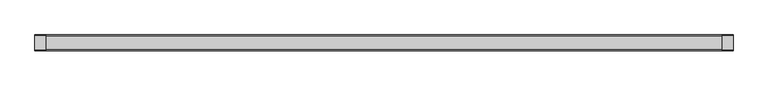
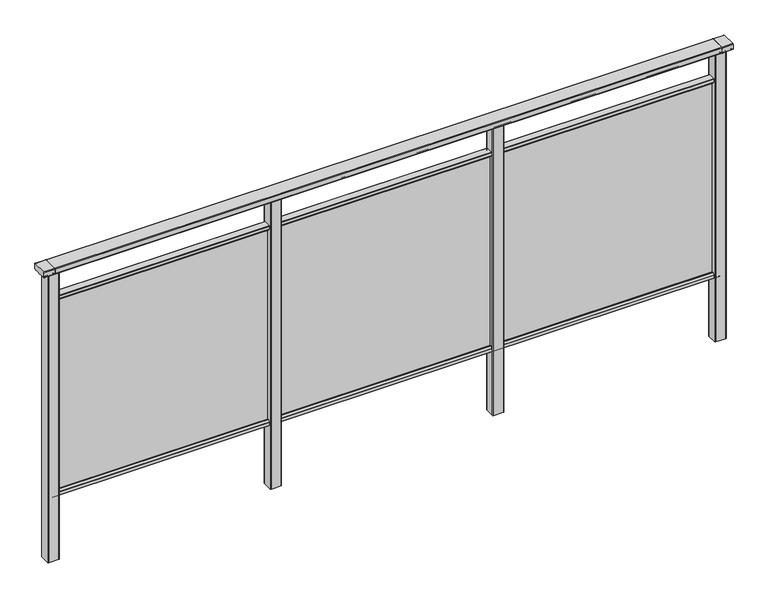
"""IFC4 building model written with IfcOpenShell, lengths in millimetres: railing geometry."""

from ifc_helpers import new_model, si_unit, point, frame, frame_2d, origin, place, context, project, spatial, polyline, circle_curve, trimmed, segment, composite_curve, outline, extrude, source, transform, mapped, element, save


def railing_e04216a6(model_context):
    return source(origin(), model_context, "Body", "SweptSolid", [
        extrude(outline(composite_curve([segment(trimmed(circle_curve(frame_2d((7892.8460333, 1197.0)), 3.0), [point((7892.8460333, 1200.0))], [point((7895.8460333, 1197.0))], False, "CARTESIAN"), True, "CONTINUOUS"), segment(polyline([(7895.8460333, 1197.0), (7895.8460333, 1174.8)]), True, "CONTINUOUS"), segment(trimmed(circle_curve(frame_2d((7892.8460333, 1174.8)), 3.0), [point((7895.8460333, 1174.8))], [point((7892.8460333, 1171.8))], False, "CARTESIAN"), True, "CONTINUOUS"), segment(polyline([(7892.8460333, 1171.8), (7887.9961193, 1171.8)]), True, "CONTINUOUS"), segment(trimmed(circle_curve(frame_2d((7887.9961193, 1172.7286632)), 0.9286632), [point((7887.9961193, 1171.8))], [point((7887.0960471, 1172.5000033))], False, "CARTESIAN"), True, "CONTINUOUS"), segment(trimmed(circle_curve(frame_2d((7886.5960471, 1172.5000003)), 0.5), [point((7887.0960471, 1172.5000033))], [point((7886.5960471, 1172.0000003))], False, "CARTESIAN"), True, "CONTINUOUS"), segment(polyline([(7886.5960471, 1172.0000003), (7869.5751393, 1172.0000003)]), True, "CONTINUOUS"), segment(trimmed(circle_curve(frame_2d((7860.8508208, 1188.8785723)), 18.999998), [point((7869.5751393, 1172.0000003))], [point((7852.1265024, 1172.0000003))], False, "CARTESIAN"), True, "CONTINUOUS"), segment(polyline([(7852.1265024, 1172.0000003), (7835.0960436, 1172.0000003)]), True, "CONTINUOUS"), segment(trimmed(circle_curve(frame_2d((7835.0960436, 1172.5000003)), 0.5), [point((7835.0960436, 1172.0000003))], [point((7834.5960436, 1172.5000033))], False, "CARTESIAN"), True, "CONTINUOUS"), segment(trimmed(circle_curve(frame_2d((7833.6961402, 1172.7284461)), 0.9284461), [point((7834.5960436, 1172.5000033))], [point((7833.6961402, 1171.8))], False, "CARTESIAN"), True, "CONTINUOUS"), segment(polyline([(7833.6961402, 1171.8), (7828.8460333, 1171.8)]), True, "CONTINUOUS"), segment(trimmed(circle_curve(frame_2d((7828.8460333, 1174.8)), 3.0), [point((7828.8460333, 1171.8))], [point((7825.8460333, 1174.8))], False, "CARTESIAN"), True, "CONTINUOUS"), segment(polyline([(7825.8460333, 1174.8), (7825.8460333, 1197.0)]), True, "CONTINUOUS"), segment(trimmed(circle_curve(frame_2d((7828.8460333, 1197.0)), 3.0), [point((7825.8460333, 1197.0))], [point((7828.8460333, 1200.0))], False, "CARTESIAN"), True, "CONTINUOUS"), segment(polyline([(7828.8460333, 1200.0), (7892.8460333, 1200.0)]), True, "CONTINUOUS")], self_intersect=False)), frame((-428.6053075, 0.0, 0.0), z_axis=(1.0, 0.0, 0.0), x_axis=(0.0, 1.0, 0.0)), (0.0, 0.0, 1.0), 3000.0),
        extrude(outline(composite_curve([segment(polyline([(7876.5508136, 100.0), (7845.1507946, 100.0)]), True, "CONTINUOUS"), segment(trimmed(circle_curve(frame_2d((7845.1507946, 101.8)), 1.8), [point((7845.1507946, 100.0))], [point((7843.3507946, 101.8))], False, "CARTESIAN"), True, "CONTINUOUS"), segment(polyline([(7843.3507946, 101.8), (7843.3507946, 115.5269955)]), True, "CONTINUOUS"), segment(trimmed(circle_curve(frame_2d((7845.1507946, 115.5269955)), 1.8), [point((7843.3507946, 115.5269955))], [point((7843.7923399, 116.7079277))], False, "CARTESIAN"), True, "CONTINUOUS"), segment(polyline([(7843.7923399, 116.7079277), (7850.4626384, 124.3809322)]), True, "CONTINUOUS"), segment(trimmed(circle_curve(frame_2d((7851.8210931, 123.2)), 1.8), [point((7850.4626384, 124.3809322))], [point((7851.8210931, 125.0))], False, "CARTESIAN"), True, "CONTINUOUS"), segment(polyline([(7851.8210931, 125.0), (7855.5111113, 125.0), (7856.809143, 113.0), (7864.8924411, 113.0), (7866.1904978, 125.0), (7869.88054, 125.0)]), True, "CONTINUOUS"), segment(trimmed(circle_curve(frame_2d((7869.88054, 123.2)), 1.8), [point((7869.88054, 125.0))], [point((7871.2389969, 124.3809297))], False, "CARTESIAN"), True, "CONTINUOUS"), segment(polyline([(7871.2389969, 124.3809297), (7877.9092704, 116.7079252)]), True, "CONTINUOUS"), segment(trimmed(circle_curve(frame_2d((7876.5508136, 115.5269955)), 1.8), [point((7877.9092704, 116.7079252))], [point((7878.3508136, 115.5269955))], False, "CARTESIAN"), True, "CONTINUOUS"), segment(polyline([(7878.3508136, 115.5269955), (7878.3508136, 101.8)]), True, "CONTINUOUS"), segment(trimmed(circle_curve(frame_2d((7876.5508136, 101.8)), 1.8), [point((7878.3508136, 101.8))], [point((7876.5508136, 100.0))], False, "CARTESIAN"), True, "CONTINUOUS")], self_intersect=False)), frame((-428.6053075, 0.0, 0.0), z_axis=(1.0, 0.0, 0.0), x_axis=(0.0, 1.0, 0.0)), (0.0, 0.0, 1.0), 3000.0),
        extrude(outline(composite_curve([segment(polyline([(7845.1507946, 1050.0), (7876.5508136, 1050.0)]), True, "CONTINUOUS"), segment(trimmed(circle_curve(frame_2d((7876.5508136, 1048.2)), 1.8), [point((7876.5508136, 1050.0))], [point((7878.3508136, 1048.2))], False, "CARTESIAN"), True, "CONTINUOUS"), segment(polyline([(7878.3508136, 1048.2), (7878.3508136, 1034.4730045)]), True, "CONTINUOUS"), segment(trimmed(circle_curve(frame_2d((7876.5508136, 1034.4730045)), 1.8), [point((7878.3508136, 1034.4730045))], [point((7877.9092704, 1033.2920748))], False, "CARTESIAN"), True, "CONTINUOUS"), segment(polyline([(7877.9092704, 1033.2920748), (7871.2389969, 1025.6190703)]), True, "CONTINUOUS"), segment(trimmed(circle_curve(frame_2d((7869.88054, 1026.8)), 1.8), [point((7871.2389969, 1025.6190703))], [point((7869.88054, 1025.0))], False, "CARTESIAN"), True, "CONTINUOUS"), segment(polyline([(7869.88054, 1025.0), (7866.1904978, 1025.0), (7864.8924411, 1037.0), (7856.809143, 1037.0), (7855.5111113, 1025.0), (7851.8210931, 1025.0)]), True, "CONTINUOUS"), segment(trimmed(circle_curve(frame_2d((7851.8210931, 1026.8)), 1.8), [point((7851.8210931, 1025.0))], [point((7850.4626384, 1025.6190678))], False, "CARTESIAN"), True, "CONTINUOUS"), segment(polyline([(7850.4626384, 1025.6190678), (7843.7923399, 1033.2920723)]), True, "CONTINUOUS"), segment(trimmed(circle_curve(frame_2d((7845.1507946, 1034.4730045)), 1.8), [point((7843.7923399, 1033.2920723))], [point((7843.3507946, 1034.4730045))], False, "CARTESIAN"), True, "CONTINUOUS"), segment(polyline([(7843.3507946, 1034.4730045), (7843.3507946, 1048.2)]), True, "CONTINUOUS"), segment(trimmed(circle_curve(frame_2d((7845.1507946, 1048.2)), 1.8), [point((7843.3507946, 1048.2))], [point((7845.1507946, 1050.0))], False, "CARTESIAN"), True, "CONTINUOUS")], self_intersect=False)), frame((-428.6053075, 0.0, 0.0), z_axis=(1.0, 0.0, 0.0), x_axis=(0.0, 1.0, 0.0)), (0.0, 0.0, 1.0), 3000.0),
        extrude(outline(polyline([(-428.6053075, 7858.8508041), (-428.6053075, 7862.8508041), (2571.3946925, 7862.8508041), (2571.3946925, 7858.8508041), (-428.6053075, 7858.8508041)])), frame((0.0, 0.0, 100.0), z_axis=(0.0, 0.0, 1.0), x_axis=(1.0, 0.0, 0.0)), (0.0, 0.0, 1.0), 940.0),
        extrude(outline(composite_curve([segment(trimmed(circle_curve(frame_2d((1593.7947043, 7883.2508153)), 3.0), [point((1593.794704, 7886.2508153))], [point((1596.7947043, 7883.2508156))], False, "CARTESIAN"), True, "CONTINUOUS"), segment(polyline([(1596.7947043, 7883.2508156), (1596.7947083, 7838.4507926)]), True, "CONTINUOUS"), segment(trimmed(circle_curve(frame_2d((1593.7947083, 7838.4507923)), 3.0), [point((1596.7947083, 7838.4507926))], [point((1593.7947086, 7835.4507923))], False, "CARTESIAN"), True, "CONTINUOUS"), segment(polyline([(1593.7947086, 7835.4507923), (1548.9946856, 7835.4507883)]), True, "CONTINUOUS"), segment(trimmed(circle_curve(frame_2d((1548.9946853, 7838.4507883)), 3.0), [point((1548.9946856, 7835.4507883))], [point((1545.9946853, 7838.450788))], False, "CARTESIAN"), True, "CONTINUOUS"), segment(polyline([(1545.9946853, 7838.450788), (1545.9946813, 7883.250811)]), True, "CONTINUOUS"), segment(trimmed(circle_curve(frame_2d((1548.9946813, 7883.2508113)), 3.0), [point((1545.9946813, 7883.250811))], [point((1548.994681, 7886.2508113))], False, "CARTESIAN"), True, "CONTINUOUS"), segment(polyline([(1548.994681, 7886.2508113), (1593.794704, 7886.2508153)]), True, "CONTINUOUS")], self_intersect=False)), frame((0.0, 0.0, -198.0), z_axis=(0.0, 0.0, 1.0), x_axis=(1.0, 0.0, 0.0)), (0.0, 0.0, 1.0), 1367.8785743),
        extrude(outline(composite_curve([segment(trimmed(circle_curve(frame_2d((593.7947043, 7883.2508153)), 3.0), [point((593.794704, 7886.2508153))], [point((596.7947043, 7883.2508156))], False, "CARTESIAN"), True, "CONTINUOUS"), segment(polyline([(596.7947043, 7883.2508156), (596.7947083, 7838.4507926)]), True, "CONTINUOUS"), segment(trimmed(circle_curve(frame_2d((593.7947083, 7838.4507923)), 3.0), [point((596.7947083, 7838.4507926))], [point((593.7947086, 7835.4507923))], False, "CARTESIAN"), True, "CONTINUOUS"), segment(polyline([(593.7947086, 7835.4507923), (548.9946856, 7835.4507883)]), True, "CONTINUOUS"), segment(trimmed(circle_curve(frame_2d((548.9946853, 7838.4507883)), 3.0), [point((548.9946856, 7835.4507883))], [point((545.9946853, 7838.450788))], False, "CARTESIAN"), True, "CONTINUOUS"), segment(polyline([(545.9946853, 7838.450788), (545.9946813, 7883.250811)]), True, "CONTINUOUS"), segment(trimmed(circle_curve(frame_2d((548.9946813, 7883.2508113)), 3.0), [point((545.9946813, 7883.250811))], [point((548.994681, 7886.2508113))], False, "CARTESIAN"), True, "CONTINUOUS"), segment(polyline([(548.994681, 7886.2508113), (593.794704, 7886.2508153)]), True, "CONTINUOUS")], self_intersect=False)), frame((0.0, 0.0, -198.0), z_axis=(0.0, 0.0, 1.0), x_axis=(1.0, 0.0, 0.0)), (0.0, 0.0, 1.0), 1367.8785743),
        extrude(outline(composite_curve([segment(trimmed(circle_curve(frame_2d((2593.7947043, 7883.2508153)), 3.0), [point((2593.794704, 7886.2508153))], [point((2596.7947043, 7883.2508156))], False, "CARTESIAN"), True, "CONTINUOUS"), segment(polyline([(2596.7947043, 7883.2508156), (2596.7947083, 7838.4507926)]), True, "CONTINUOUS"), segment(trimmed(circle_curve(frame_2d((2593.7947083, 7838.4507923)), 3.0), [point((2596.7947083, 7838.4507926))], [point((2593.7947086, 7835.4507923))], False, "CARTESIAN"), True, "CONTINUOUS"), segment(polyline([(2593.7947086, 7835.4507923), (2548.9946856, 7835.4507883)]), True, "CONTINUOUS"), segment(trimmed(circle_curve(frame_2d((2548.9946853, 7838.4507883)), 3.0), [point((2548.9946856, 7835.4507883))], [point((2545.9946853, 7838.450788))], False, "CARTESIAN"), True, "CONTINUOUS"), segment(polyline([(2545.9946853, 7838.450788), (2545.9946813, 7883.250811)]), True, "CONTINUOUS"), segment(trimmed(circle_curve(frame_2d((2548.9946813, 7883.2508113)), 3.0), [point((2545.9946813, 7883.250811))], [point((2548.994681, 7886.2508113))], False, "CARTESIAN"), True, "CONTINUOUS"), segment(polyline([(2548.994681, 7886.2508113), (2593.794704, 7886.2508153)]), True, "CONTINUOUS")], self_intersect=False)), frame((0.0, 0.0, -198.0), z_axis=(0.0, 0.0, 1.0), x_axis=(1.0, 0.0, 0.0)), (0.0, 0.0, 1.0), 1367.8785743),
        extrude(outline(composite_curve([segment(trimmed(circle_curve(frame_2d((7892.8460333, 1197.0)), 3.0), [point((7892.8460333, 1200.0))], [point((7895.8460333, 1197.0))], False, "CARTESIAN"), True, "CONTINUOUS"), segment(polyline([(7895.8460333, 1197.0), (7895.8460333, 1174.8)]), True, "CONTINUOUS"), segment(trimmed(circle_curve(frame_2d((7892.8460333, 1174.8)), 3.0), [point((7895.8460333, 1174.8))], [point((7892.8460333, 1171.8))], False, "CARTESIAN"), True, "CONTINUOUS"), segment(polyline([(7892.8460333, 1171.8), (7887.9961193, 1171.8)]), True, "CONTINUOUS"), segment(trimmed(circle_curve(frame_2d((7887.9961193, 1172.7286632)), 0.9286632), [point((7887.9961193, 1171.8))], [point((7887.0960471, 1172.5000033))], False, "CARTESIAN"), True, "CONTINUOUS"), segment(trimmed(circle_curve(frame_2d((7886.5960471, 1172.5000003)), 0.5), [point((7887.0960471, 1172.5000033))], [point((7886.5960471, 1172.0000003))], False, "CARTESIAN"), True, "CONTINUOUS"), segment(polyline([(7886.5960471, 1172.0000003), (7869.5751393, 1172.0000003)]), True, "CONTINUOUS"), segment(trimmed(circle_curve(frame_2d((7860.8508208, 1188.8785723)), 18.999998), [point((7869.5751393, 1172.0000003))], [point((7852.1265024, 1172.0000003))], False, "CARTESIAN"), True, "CONTINUOUS"), segment(polyline([(7852.1265024, 1172.0000003), (7835.0960436, 1172.0000003)]), True, "CONTINUOUS"), segment(trimmed(circle_curve(frame_2d((7835.0960436, 1172.5000003)), 0.5), [point((7835.0960436, 1172.0000003))], [point((7834.5960436, 1172.5000033))], False, "CARTESIAN"), True, "CONTINUOUS"), segment(trimmed(circle_curve(frame_2d((7833.6961402, 1172.7284461)), 0.9284461), [point((7834.5960436, 1172.5000033))], [point((7833.6961402, 1171.8))], False, "CARTESIAN"), True, "CONTINUOUS"), segment(polyline([(7833.6961402, 1171.8), (7828.8460333, 1171.8)]), True, "CONTINUOUS"), segment(trimmed(circle_curve(frame_2d((7828.8460333, 1174.8)), 3.0), [point((7828.8460333, 1171.8))], [point((7825.8460333, 1174.8))], False, "CARTESIAN"), True, "CONTINUOUS"), segment(polyline([(7825.8460333, 1174.8), (7825.8460333, 1197.0)]), True, "CONTINUOUS"), segment(trimmed(circle_curve(frame_2d((7828.8460333, 1197.0)), 3.0), [point((7825.8460333, 1197.0))], [point((7828.8460333, 1200.0))], False, "CARTESIAN"), True, "CONTINUOUS"), segment(polyline([(7828.8460333, 1200.0), (7892.8460333, 1200.0)]), True, "CONTINUOUS")], self_intersect=False)), frame((2571.3946838, 0.0, 0.0), z_axis=(1.0, 0.0, 0.0), x_axis=(0.0, 1.0, 0.0)), (0.0, 0.0, 1.0), 50.0),
        extrude(outline(composite_curve([segment(trimmed(circle_curve(frame_2d((-406.2052957, 7883.2508153)), 3.0), [point((-406.205296, 7886.2508153))], [point((-403.2052957, 7883.2508156))], False, "CARTESIAN"), True, "CONTINUOUS"), segment(polyline([(-403.2052957, 7883.2508156), (-403.2052917, 7838.4507926)]), True, "CONTINUOUS"), segment(trimmed(circle_curve(frame_2d((-406.2052917, 7838.4507923)), 3.0), [point((-403.2052917, 7838.4507926))], [point((-406.2052914, 7835.4507923))], False, "CARTESIAN"), True, "CONTINUOUS"), segment(polyline([(-406.2052914, 7835.4507923), (-451.0053144, 7835.4507883)]), True, "CONTINUOUS"), segment(trimmed(circle_curve(frame_2d((-451.0053147, 7838.4507883)), 3.0), [point((-451.0053144, 7835.4507883))], [point((-454.0053147, 7838.450788))], False, "CARTESIAN"), True, "CONTINUOUS"), segment(polyline([(-454.0053147, 7838.450788), (-454.0053187, 7883.250811)]), True, "CONTINUOUS"), segment(trimmed(circle_curve(frame_2d((-451.0053187, 7883.2508113)), 3.0), [point((-454.0053187, 7883.250811))], [point((-451.005319, 7886.2508113))], False, "CARTESIAN"), True, "CONTINUOUS"), segment(polyline([(-451.005319, 7886.2508113), (-406.205296, 7886.2508153)]), True, "CONTINUOUS")], self_intersect=False)), frame((0.0, 0.0, -198.0), z_axis=(0.0, 0.0, 1.0), x_axis=(1.0, 0.0, 0.0)), (0.0, 0.0, 1.0), 1367.8785743),
        extrude(outline(composite_curve([segment(trimmed(circle_curve(frame_2d((7892.8460333, 1197.0)), 3.0), [point((7892.8460333, 1200.0))], [point((7895.8460333, 1197.0))], False, "CARTESIAN"), True, "CONTINUOUS"), segment(polyline([(7895.8460333, 1197.0), (7895.8460333, 1174.8)]), True, "CONTINUOUS"), segment(trimmed(circle_curve(frame_2d((7892.8460333, 1174.8)), 3.0), [point((7895.8460333, 1174.8))], [point((7892.8460333, 1171.8))], False, "CARTESIAN"), True, "CONTINUOUS"), segment(polyline([(7892.8460333, 1171.8), (7887.9961193, 1171.8)]), True, "CONTINUOUS"), segment(trimmed(circle_curve(frame_2d((7887.9961193, 1172.7286632)), 0.9286632), [point((7887.9961193, 1171.8))], [point((7887.0960471, 1172.5000033))], False, "CARTESIAN"), True, "CONTINUOUS"), segment(trimmed(circle_curve(frame_2d((7886.5960471, 1172.5000003)), 0.5), [point((7887.0960471, 1172.5000033))], [point((7886.5960471, 1172.0000003))], False, "CARTESIAN"), True, "CONTINUOUS"), segment(polyline([(7886.5960471, 1172.0000003), (7869.5751393, 1172.0000003)]), True, "CONTINUOUS"), segment(trimmed(circle_curve(frame_2d((7860.8508208, 1188.8785723)), 18.999998), [point((7869.5751393, 1172.0000003))], [point((7852.1265024, 1172.0000003))], False, "CARTESIAN"), True, "CONTINUOUS"), segment(polyline([(7852.1265024, 1172.0000003), (7835.0960436, 1172.0000003)]), True, "CONTINUOUS"), segment(trimmed(circle_curve(frame_2d((7835.0960436, 1172.5000003)), 0.5), [point((7835.0960436, 1172.0000003))], [point((7834.5960436, 1172.5000033))], False, "CARTESIAN"), True, "CONTINUOUS"), segment(trimmed(circle_curve(frame_2d((7833.6961402, 1172.7284461)), 0.9284461), [point((7834.5960436, 1172.5000033))], [point((7833.6961402, 1171.8))], False, "CARTESIAN"), True, "CONTINUOUS"), segment(polyline([(7833.6961402, 1171.8), (7828.8460333, 1171.8)]), True, "CONTINUOUS"), segment(trimmed(circle_curve(frame_2d((7828.8460333, 1174.8)), 3.0), [point((7828.8460333, 1171.8))], [point((7825.8460333, 1174.8))], False, "CARTESIAN"), True, "CONTINUOUS"), segment(polyline([(7825.8460333, 1174.8), (7825.8460333, 1197.0)]), True, "CONTINUOUS"), segment(trimmed(circle_curve(frame_2d((7828.8460333, 1197.0)), 3.0), [point((7825.8460333, 1197.0))], [point((7828.8460333, 1200.0))], False, "CARTESIAN"), True, "CONTINUOUS"), segment(polyline([(7828.8460333, 1200.0), (7892.8460333, 1200.0)]), True, "CONTINUOUS")], self_intersect=False)), frame((-478.6053162, 0.0, 0.0), z_axis=(1.0, 0.0, 0.0), x_axis=(0.0, 1.0, 0.0)), (0.0, 0.0, 1.0), 50.0),
    ])


if __name__ == "__main__":
    model = new_model("IFC4")
    model_context = context("Model", 3, world=origin())
    ifc_project = project(units=[si_unit("LENGTHUNIT", "METRE", prefix="MILLI")], contexts=[model_context])
    site = spatial("IfcSite", under=ifc_project)
    building = spatial("IfcBuilding", under=site)
    placement = place(None, origin())
    railing_shape = railing_e04216a6(model_context)
    element("IfcRailing", 1, at=placement, inside=building, context=model_context, shape_type="MappedRepresentation", body=[
        mapped(railing_shape, transform((0.0, 0.0, 0.0), x_axis=(1.0, 0.0, 0.0), y_axis=(0.0, 1.0, 0.0), z_axis=(0.0, 0.0, 1.0))),
    ])
    save(model, "model.ifc")
